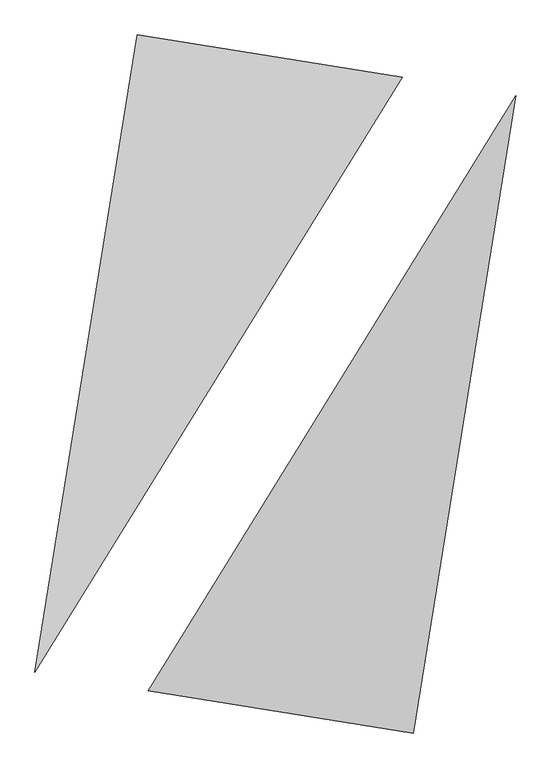
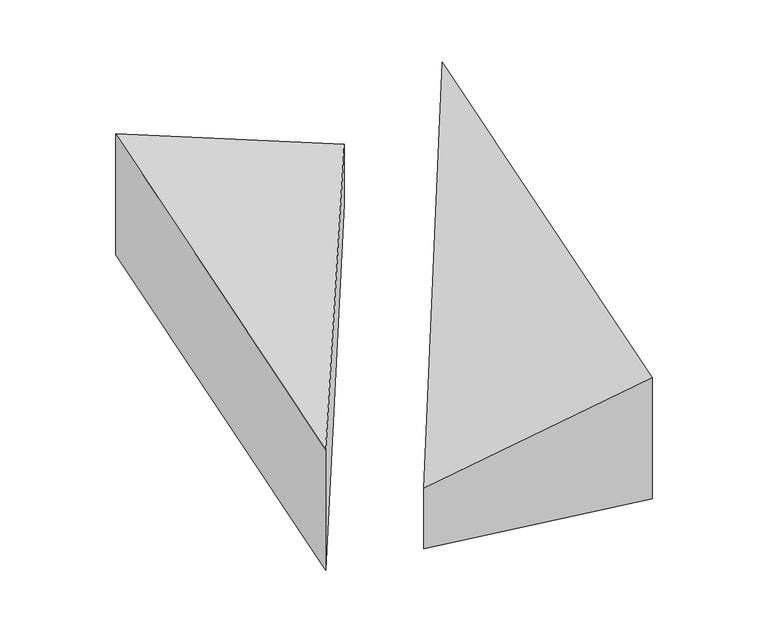
"""IFC4 building model written with IfcOpenShell, lengths in millimetres: proxy geometry."""

import ifcopenshell
import ifcopenshell.guid

model = None  # the IFC model being written
_history = None  # IfcOwnerHistory: only IFC2X3 demands one
_inside = {}  # id of a spatial element -> (the spatial element, [elements in it])
_under = {}  # id of a project, library or spatial element -> (it, [spatial elements below it])
_declared = {}  # id of a project -> (the project, [libraries it declares])
_typed = {}  # id of a type object -> (the type object, [elements of that type])
_made_of = {}  # id of a material, layer set ... -> (it, [elements and type objects made of it])


def new_model(schema):
    """Start an empty IFC model of exactly this schema.

    Asked for "IFC4X3", IfcOpenShell would pick the latest addendum, in which some entities
    have other attributes; the version numbers below select the first issue.
    IFC2X3 requires an IfcOwnerHistory on every rooted entity: one is made here for all.
    """
    global model, _history
    if schema == "IFC4X3":
        model = ifcopenshell.file(schema_version=(4, 3, 0, 0))
    else:
        model = ifcopenshell.file(schema=schema)
    _inside.clear()
    _under.clear()
    _declared.clear()
    _typed.clear()
    _made_of.clear()
    _history = None
    if model.schema == "IFC2X3":
        org = make("IfcOrganization", Name="unknown")
        user = make(
            "IfcPersonAndOrganization",
            ThePerson=make("IfcPerson", FamilyName="unknown"),
            TheOrganization=org,
        )
        app = make(
            "IfcApplication",
            ApplicationDeveloper=org,
            Version="unknown",
            ApplicationFullName="unknown",
            ApplicationIdentifier="unknown",
        )
        _history = make(
            "IfcOwnerHistory",
            OwningUser=user,
            OwningApplication=app,
            ChangeAction="ADDED",
            CreationDate=0,
        )
    return model


def make(cls, **values):
    """One entity of the class cls with the attributes given. An attribute that is None is left unset."""
    return model.create_entity(
        cls, **{name: value for name, value in values.items() if value is not None}
    )


def rooted(cls, **values):
    """An entity with a GlobalId (a new one), such as an element, a storey or a relation."""
    return make(cls, GlobalId=ifcopenshell.guid.new(), OwnerHistory=_history, **values)


def si_unit(unit_type, name, prefix=None):
    """IfcSIUnit, for example si_unit("LENGTHUNIT", "METRE", prefix="MILLI")."""
    return make("IfcSIUnit", UnitType=unit_type, Prefix=prefix, Name=name)


def assignment(units):
    """IfcUnitAssignment: the units of a project."""
    return None if units is None else make("IfcUnitAssignment", Units=units)


def point(xyz):
    """IfcCartesianPoint."""
    return None if xyz is None else make("IfcCartesianPoint", Coordinates=xyz)


def direction(xyz):
    """IfcDirection."""
    return None if xyz is None else make("IfcDirection", DirectionRatios=xyz)


def frame(location, z_axis=None, x_axis=None):
    """IfcAxis2Placement3D, a coordinate frame: its origin and axes. An axis left out is left unset."""
    return make(
        "IfcAxis2Placement3D",
        Location=point(location),
        Axis=direction(z_axis),
        RefDirection=direction(x_axis),
    )


def origin():
    """The frame at (0, 0, 0) with its axes left unset."""
    return frame((0.0, 0.0, 0.0))


def place(relative_to, where):
    """IfcLocalPlacement: puts the frame where relative to a parent placement (None: the world)."""
    return make(
        "IfcLocalPlacement", PlacementRelTo=relative_to, RelativePlacement=where
    )


def context(
    kind, dimensions, precision=None, world=None, true_north=None, identifier=None
):
    """IfcGeometricRepresentationContext, for example the 3D "Model" context."""
    return make(
        "IfcGeometricRepresentationContext",
        ContextIdentifier=identifier,
        ContextType=kind,
        CoordinateSpaceDimension=dimensions,
        Precision=precision,
        WorldCoordinateSystem=world,
        TrueNorth=true_north,
    )


def project(units=None, contexts=None):
    """IfcProject with its units and contexts."""
    return rooted(
        "IfcProject",
        Name="project",
        RepresentationContexts=contexts,
        UnitsInContext=assignment(units),
    )


def spatial(cls, under=None, at=None, **own):
    """A site, building, storey or space (cls), placed at a placement, below another one or the project."""
    s = rooted(cls, ObjectPlacement=at, **own)
    if under is not None:
        _under.setdefault(under.id(), (under, []))[1].append(s)
    return s


def faces_of(points, faces, orient=None, outer=None):
    """IfcFace entities. A face is a list of loops; a loop is a list of indices into points, from 0.

    orient and outer hold one flag for each loop. By default every Orientation is true, the
    first loop of a face is its IfcFaceOuterBound and the others are IfcFaceBound.
    """
    made = []
    for i, loops in enumerate(faces):
        bounds = []
        for j, loop in enumerate(loops):
            is_outer = j == 0 if outer is None else outer[i][j]
            bounds.append(
                make(
                    "IfcFaceOuterBound" if is_outer else "IfcFaceBound",
                    Bound=make("IfcPolyLoop", Polygon=[points[k] for k in loop]),
                    Orientation=True if orient is None else orient[i][j],
                )
            )
        made.append(make("IfcFace", Bounds=bounds))
    return made


def faceted_brep(points, faces, orient=None, outer=None, voids=None):
    """IfcFacetedBrep: a solid bounded by flat faces; with voids (closed shells), ...WithVoids."""
    shared = [point(p) for p in points]
    hull = make("IfcClosedShell", CfsFaces=faces_of(shared, faces, orient, outer))
    if voids is None:
        return make("IfcFacetedBrep", Outer=hull)
    return make(
        "IfcFacetedBrepWithVoids",
        Outer=hull,
        Voids=[
            make(cls, CfsFaces=faces_of(shared, fs, o, b)) for cls, fs, o, b in voids
        ],
    )


def shape(context_of_items, identifier, shape_type, items):
    """IfcShapeRepresentation: the items that make up one representation, for example the "Body"."""
    return make(
        "IfcShapeRepresentation",
        ContextOfItems=context_of_items,
        RepresentationIdentifier=identifier,
        RepresentationType=shape_type,
        Items=items,
    )


def source(mapping_origin, context_of_items, identifier, shape_type, items):
    """IfcRepresentationMap: a shape defined once, which mapped items show again and again."""
    return make(
        "IfcRepresentationMap",
        MappingOrigin=mapping_origin,
        MappedRepresentation=shape(context_of_items, identifier, shape_type, items),
    )


def transform(
    local_origin,
    x_axis=None,
    y_axis=None,
    z_axis=None,
    scale=None,
    scale2=None,
    scale3=None,
    uniform=True,
):
    """IfcCartesianTransformationOperator3D, or its non-uniform kind. x_axis, y_axis, z_axis: its Axis1, 2, 3."""
    if uniform:
        return make(
            "IfcCartesianTransformationOperator3D",
            Axis1=direction(x_axis),
            Axis2=direction(y_axis),
            LocalOrigin=point(local_origin),
            Scale=scale,
            Axis3=direction(z_axis),
        )
    return make(
        "IfcCartesianTransformationOperator3DnonUniform",
        Axis1=direction(x_axis),
        Axis2=direction(y_axis),
        LocalOrigin=point(local_origin),
        Scale=scale,
        Axis3=direction(z_axis),
        Scale2=scale2,
        Scale3=scale3,
    )


def mapped(mapping_source, mapping_target):
    """IfcMappedItem: shows the shape of a source again, moved by a transform."""
    return make(
        "IfcMappedItem", MappingSource=mapping_source, MappingTarget=mapping_target
    )


def made_of(thing, what):
    """Note that an element or type object is made of a material, layer set ...; save() writes the relation."""
    if what is not None:
        _made_of.setdefault(what.id(), (what, []))[1].append(thing)
    return thing


def element(
    cls,
    number,
    at=None,
    inside=None,
    cuts=None,
    type_object=None,
    material=None,
    context=None,
    identifier="Body",
    shape_type=None,
    held_by="IfcProductDefinitionShape",
    body=None,
    shapes=None,
    **own,
):
    """One element of the class cls, such as IfcWall. Its Tag is "e" and its number.

    at: its placement. inside: the storey or other place that contains it. cuts: it is an
    opening in that element (IfcRelVoidsElement). A single representation is given by context,
    identifier, shape_type and body (its items); several are given by shapes. held_by: the class
    of the entity that holds the representations. save() writes the other relations.
    """
    e = rooted(cls, Tag="e%d" % number, ObjectPlacement=at, **own)
    if body is not None:
        shapes = [shape(context, identifier, shape_type, body)]
    if shapes is not None:
        e.Representation = make(held_by, Representations=shapes)
    if inside is not None:
        _inside.setdefault(inside.id(), (inside, []))[1].append(e)
    if cuts is not None:
        rooted(
            "IfcRelVoidsElement", RelatingBuildingElement=cuts, RelatedOpeningElement=e
        )
    if type_object is not None:
        _typed.setdefault(type_object.id(), (type_object, []))[1].append(e)
    return made_of(e, material)


def aggregate(whole, parts):
    """IfcRelAggregates: a whole, such as a stair, and the parts it consists of."""
    return rooted("IfcRelAggregates", RelatingObject=whole, RelatedObjects=parts)


def save(model, path):
    """Write the relations noted so far, then the file.

    IfcRelAggregates (storeys below a building ...), IfcRelContainedInSpatialStructure (elements
    in a storey), IfcRelDefinesByType, IfcRelAssociatesMaterial and IfcRelDeclares: one each for
    every whole, place, type object, material and project.
    """
    for whole, parts in _under.values():
        aggregate(whole, parts)
    for where, things in _inside.values():
        rooted(
            "IfcRelContainedInSpatialStructure",
            RelatedElements=things,
            RelatingStructure=where,
        )
    for kind, things in _typed.values():
        rooted("IfcRelDefinesByType", RelatedObjects=things, RelatingType=kind)
    for what, things in _made_of.values():
        rooted("IfcRelAssociatesMaterial", RelatedObjects=things, RelatingMaterial=what)
    for by, libraries in _declared.values():
        rooted("IfcRelDeclares", RelatingContext=by, RelatedDefinitions=libraries)
    model.write(path)


def generic_models_cc65a111(model_context):
    return source(origin(), model_context, "Body", "Brep", [
        faceted_brep([(785.5316032, 1899.6223573, 0.0), (-856.0170022, 2162.7277087, 0.0), (-856.0170022, 2162.7277087, 1000.0), (785.5316032, 1899.6223573, 500.0), (-1489.0524341, -1786.862921, 0.0), (-1489.0524341, -1786.862921, 1000.0)], [[[0, 1, 2, 3]], [[1, 4, 5, 2]], [[4, 0, 3, 5]], [[3, 2, 5]], [[0, 4, 1]]]),
        faceted_brep([(856.0170022, -2162.7277087, 0.0), (1489.0524341, 1786.862921, 0.0), (1489.0524341, 1786.862921, 1000.0), (856.0170022, -2162.7277087, 1000.0), (-785.5316032, -1899.6223573, 0.0), (-785.5316032, -1899.6223573, 500.0)], [[[0, 1, 2, 3]], [[1, 4, 5, 2]], [[4, 0, 3, 5]], [[2, 5, 3]], [[0, 4, 1]]]),
    ])


if __name__ == "__main__":
    model = new_model("IFC4")
    model_context = context("Model", 3, world=origin())
    ifc_project = project(units=[si_unit("LENGTHUNIT", "METRE", prefix="MILLI")], contexts=[model_context])
    site = spatial("IfcSite", under=ifc_project)
    building = spatial("IfcBuilding", under=site)
    placement = place(None, origin())
    generic_models_shape = generic_models_cc65a111(model_context)
    element("IfcBuildingElementProxy", 1, Name="Generic Models", at=placement, inside=building, context=model_context, shape_type="MappedRepresentation", body=[
        mapped(generic_models_shape, transform((0.0, 0.0, 0.0), x_axis=(1.0, 0.0, 0.0), y_axis=(0.0, 1.0, 0.0), z_axis=(0.0, 0.0, 1.0))),
    ])
    save(model, "model.ifc")
